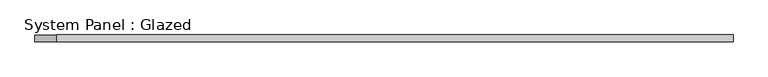
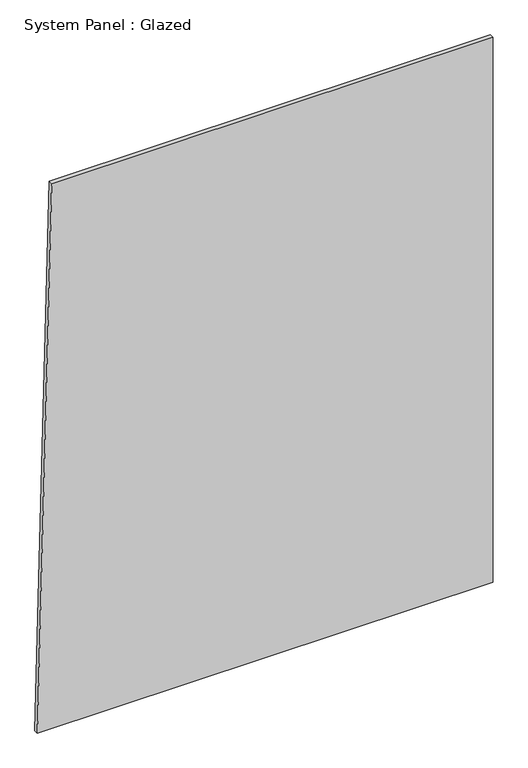
"""IFC4 building model written with IfcOpenShell, lengths in millimetres: plate geometry, System Panel : Glazed."""

from ifc_helpers import new_model, si_unit, frame, origin, place, context, project, spatial, polyline, outline, extrude, source, transform, mapped, element, save


def system_panel_glazed_0cb6bed1(model_context):
    return source(origin(), model_context, "Body", "SweptSolid", [
        extrude(outline(polyline([(0.0, -1322.3127617), (0.0, 1322.3127617), (3341.5508959, 1322.3127617), (3341.5508959, -1238.8570246), (0.0, -1322.3127617)])), frame((0.0, -49.5, 0.0), z_axis=(0.0, 1.0, 0.0), x_axis=(0.0, 0.0, 1.0)), (0.0, 0.0, 1.0), 25.0),
    ])


if __name__ == "__main__":
    model = new_model("IFC4")
    model_context = context("Model", 3, world=origin())
    ifc_project = project(units=[si_unit("LENGTHUNIT", "METRE", prefix="MILLI")], contexts=[model_context])
    site = spatial("IfcSite", under=ifc_project)
    building = spatial("IfcBuilding", under=site)
    placement = place(None, origin())
    system_panel_glazed_shape = system_panel_glazed_0cb6bed1(model_context)
    element("IfcPlate", 1, ObjectType="System Panel : Glazed", at=placement, inside=building, context=model_context, shape_type="MappedRepresentation", body=[
        mapped(system_panel_glazed_shape, transform((0.0, 0.0, 0.0), x_axis=(1.0, 0.0, 0.0), y_axis=(0.0, 1.0, 0.0), z_axis=(0.0, 0.0, 1.0))),
    ])
    save(model, "model.ifc")
